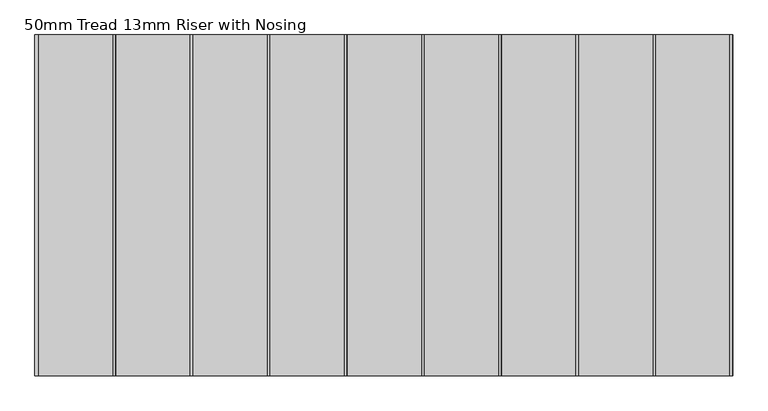
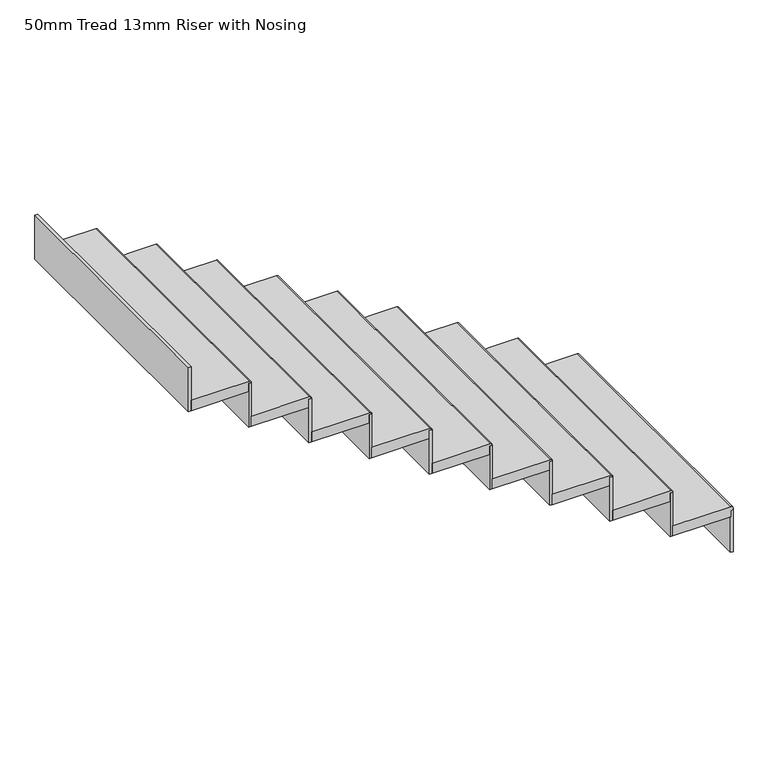
"""IFC4 building model written with IfcOpenShell, lengths in millimetres: stair flight geometry, 50mm Tread 13mm Riser with Nosing."""

import ifcopenshell
import ifcopenshell.guid

model = None  # the IFC model being written
_history = None  # IfcOwnerHistory: only IFC2X3 demands one
_inside = {}  # id of a spatial element -> (the spatial element, [elements in it])
_under = {}  # id of a project, library or spatial element -> (it, [spatial elements below it])
_declared = {}  # id of a project -> (the project, [libraries it declares])
_typed = {}  # id of a type object -> (the type object, [elements of that type])
_made_of = {}  # id of a material, layer set ... -> (it, [elements and type objects made of it])


def new_model(schema):
    """Start an empty IFC model of exactly this schema.

    Asked for "IFC4X3", IfcOpenShell would pick the latest addendum, in which some entities
    have other attributes; the version numbers below select the first issue.
    IFC2X3 requires an IfcOwnerHistory on every rooted entity: one is made here for all.
    """
    global model, _history
    if schema == "IFC4X3":
        model = ifcopenshell.file(schema_version=(4, 3, 0, 0))
    else:
        model = ifcopenshell.file(schema=schema)
    _inside.clear()
    _under.clear()
    _declared.clear()
    _typed.clear()
    _made_of.clear()
    _history = None
    if model.schema == "IFC2X3":
        org = make("IfcOrganization", Name="unknown")
        user = make(
            "IfcPersonAndOrganization",
            ThePerson=make("IfcPerson", FamilyName="unknown"),
            TheOrganization=org,
        )
        app = make(
            "IfcApplication",
            ApplicationDeveloper=org,
            Version="unknown",
            ApplicationFullName="unknown",
            ApplicationIdentifier="unknown",
        )
        _history = make(
            "IfcOwnerHistory",
            OwningUser=user,
            OwningApplication=app,
            ChangeAction="ADDED",
            CreationDate=0,
        )
    return model


def make(cls, **values):
    """One entity of the class cls with the attributes given. An attribute that is None is left unset."""
    return model.create_entity(
        cls, **{name: value for name, value in values.items() if value is not None}
    )


def rooted(cls, **values):
    """An entity with a GlobalId (a new one), such as an element, a storey or a relation."""
    return make(cls, GlobalId=ifcopenshell.guid.new(), OwnerHistory=_history, **values)


def si_unit(unit_type, name, prefix=None):
    """IfcSIUnit, for example si_unit("LENGTHUNIT", "METRE", prefix="MILLI")."""
    return make("IfcSIUnit", UnitType=unit_type, Prefix=prefix, Name=name)


def assignment(units):
    """IfcUnitAssignment: the units of a project."""
    return None if units is None else make("IfcUnitAssignment", Units=units)


def point(xyz):
    """IfcCartesianPoint."""
    return None if xyz is None else make("IfcCartesianPoint", Coordinates=xyz)


def direction(xyz):
    """IfcDirection."""
    return None if xyz is None else make("IfcDirection", DirectionRatios=xyz)


def frame(location, z_axis=None, x_axis=None):
    """IfcAxis2Placement3D, a coordinate frame: its origin and axes. An axis left out is left unset."""
    return make(
        "IfcAxis2Placement3D",
        Location=point(location),
        Axis=direction(z_axis),
        RefDirection=direction(x_axis),
    )


def frame_2d(location, x_axis=None):
    """IfcAxis2Placement2D, a coordinate frame in the plane: its origin and x axis."""
    return make(
        "IfcAxis2Placement2D", Location=point(location), RefDirection=direction(x_axis)
    )


def origin():
    """The frame at (0, 0, 0) with its axes left unset."""
    return frame((0.0, 0.0, 0.0))


def place(relative_to, where):
    """IfcLocalPlacement: puts the frame where relative to a parent placement (None: the world)."""
    return make(
        "IfcLocalPlacement", PlacementRelTo=relative_to, RelativePlacement=where
    )


def context(
    kind, dimensions, precision=None, world=None, true_north=None, identifier=None
):
    """IfcGeometricRepresentationContext, for example the 3D "Model" context."""
    return make(
        "IfcGeometricRepresentationContext",
        ContextIdentifier=identifier,
        ContextType=kind,
        CoordinateSpaceDimension=dimensions,
        Precision=precision,
        WorldCoordinateSystem=world,
        TrueNorth=true_north,
    )


def project(units=None, contexts=None):
    """IfcProject with its units and contexts."""
    return rooted(
        "IfcProject",
        Name="project",
        RepresentationContexts=contexts,
        UnitsInContext=assignment(units),
    )


def spatial(cls, under=None, at=None, **own):
    """A site, building, storey or space (cls), placed at a placement, below another one or the project."""
    s = rooted(cls, ObjectPlacement=at, **own)
    if under is not None:
        _under.setdefault(under.id(), (under, []))[1].append(s)
    return s


def polyline(points):
    """IfcPolyline through the points."""
    return make("IfcPolyline", Points=[point(p) for p in points])


def circle_curve(where, radius):
    """IfcCircle in the frame where."""
    return make("IfcCircle", Position=where, Radius=radius)


def trimmed(basis, trim1, trim2, sense, master):
    """IfcTrimmedCurve: the piece of a basis curve between two trims."""
    return make(
        "IfcTrimmedCurve",
        BasisCurve=basis,
        Trim1=trim1,
        Trim2=trim2,
        SenseAgreement=sense,
        MasterRepresentation=master,
    )


def segment(curve, same_sense, transition):
    """IfcCompositeCurveSegment."""
    return make(
        "IfcCompositeCurveSegment",
        Transition=transition,
        SameSense=same_sense,
        ParentCurve=curve,
    )


def composite_curve(segments, self_intersect=None):
    """IfcCompositeCurve: segments joined end to end."""
    return make("IfcCompositeCurve", Segments=segments, SelfIntersect=self_intersect)


def outline(outer, holes=None, kind="AREA"):
    """IfcArbitraryClosedProfileDef: a profile drawn as a closed curve; with holes, ...WithVoids."""
    if holes is None:
        return make("IfcArbitraryClosedProfileDef", ProfileType=kind, OuterCurve=outer)
    return make(
        "IfcArbitraryProfileDefWithVoids",
        ProfileType=kind,
        OuterCurve=outer,
        InnerCurves=holes,
    )


def extrude(swept, where, along, depth):
    """IfcExtrudedAreaSolid: the profile swept, set in the frame where, extruded along a direction by depth."""
    return make(
        "IfcExtrudedAreaSolid",
        SweptArea=swept,
        Position=where,
        ExtrudedDirection=direction(along),
        Depth=depth,
    )


def shape(context_of_items, identifier, shape_type, items):
    """IfcShapeRepresentation: the items that make up one representation, for example the "Body"."""
    return make(
        "IfcShapeRepresentation",
        ContextOfItems=context_of_items,
        RepresentationIdentifier=identifier,
        RepresentationType=shape_type,
        Items=items,
    )


def source(mapping_origin, context_of_items, identifier, shape_type, items):
    """IfcRepresentationMap: a shape defined once, which mapped items show again and again."""
    return make(
        "IfcRepresentationMap",
        MappingOrigin=mapping_origin,
        MappedRepresentation=shape(context_of_items, identifier, shape_type, items),
    )


def transform(
    local_origin,
    x_axis=None,
    y_axis=None,
    z_axis=None,
    scale=None,
    scale2=None,
    scale3=None,
    uniform=True,
):
    """IfcCartesianTransformationOperator3D, or its non-uniform kind. x_axis, y_axis, z_axis: its Axis1, 2, 3."""
    if uniform:
        return make(
            "IfcCartesianTransformationOperator3D",
            Axis1=direction(x_axis),
            Axis2=direction(y_axis),
            LocalOrigin=point(local_origin),
            Scale=scale,
            Axis3=direction(z_axis),
        )
    return make(
        "IfcCartesianTransformationOperator3DnonUniform",
        Axis1=direction(x_axis),
        Axis2=direction(y_axis),
        LocalOrigin=point(local_origin),
        Scale=scale,
        Axis3=direction(z_axis),
        Scale2=scale2,
        Scale3=scale3,
    )


def mapped(mapping_source, mapping_target):
    """IfcMappedItem: shows the shape of a source again, moved by a transform."""
    return make(
        "IfcMappedItem", MappingSource=mapping_source, MappingTarget=mapping_target
    )


def made_of(thing, what):
    """Note that an element or type object is made of a material, layer set ...; save() writes the relation."""
    if what is not None:
        _made_of.setdefault(what.id(), (what, []))[1].append(thing)
    return thing


def element(
    cls,
    number,
    at=None,
    inside=None,
    cuts=None,
    type_object=None,
    material=None,
    context=None,
    identifier="Body",
    shape_type=None,
    held_by="IfcProductDefinitionShape",
    body=None,
    shapes=None,
    **own,
):
    """One element of the class cls, such as IfcWall. Its Tag is "e" and its number.

    at: its placement. inside: the storey or other place that contains it. cuts: it is an
    opening in that element (IfcRelVoidsElement). A single representation is given by context,
    identifier, shape_type and body (its items); several are given by shapes. held_by: the class
    of the entity that holds the representations. save() writes the other relations.
    """
    e = rooted(cls, Tag="e%d" % number, ObjectPlacement=at, **own)
    if body is not None:
        shapes = [shape(context, identifier, shape_type, body)]
    if shapes is not None:
        e.Representation = make(held_by, Representations=shapes)
    if inside is not None:
        _inside.setdefault(inside.id(), (inside, []))[1].append(e)
    if cuts is not None:
        rooted(
            "IfcRelVoidsElement", RelatingBuildingElement=cuts, RelatedOpeningElement=e
        )
    if type_object is not None:
        _typed.setdefault(type_object.id(), (type_object, []))[1].append(e)
    return made_of(e, material)


def aggregate(whole, parts):
    """IfcRelAggregates: a whole, such as a stair, and the parts it consists of."""
    return rooted("IfcRelAggregates", RelatingObject=whole, RelatedObjects=parts)


def save(model, path):
    """Write the relations noted so far, then the file.

    IfcRelAggregates (storeys below a building ...), IfcRelContainedInSpatialStructure (elements
    in a storey), IfcRelDefinesByType, IfcRelAssociatesMaterial and IfcRelDeclares: one each for
    every whole, place, type object, material and project.
    """
    for whole, parts in _under.values():
        aggregate(whole, parts)
    for where, things in _inside.values():
        rooted(
            "IfcRelContainedInSpatialStructure",
            RelatedElements=things,
            RelatingStructure=where,
        )
    for kind, things in _typed.values():
        rooted("IfcRelDefinesByType", RelatedObjects=things, RelatingType=kind)
    for what, things in _made_of.values():
        rooted("IfcRelAssociatesMaterial", RelatedObjects=things, RelatingMaterial=what)
    for by, libraries in _declared.values():
        rooted("IfcRelDeclares", RelatingContext=by, RelatedDefinitions=libraries)
    model.write(path)


def stair_flight_50mm_tread_13mm_riser_with_nosing_04a9c64a(model_context):
    return source(origin(), model_context, "Body", "SweptSolid", [
        extrude(outline(composite_curve([segment(polyline([(8925.0, -21230.801725), (8925.0, -21500.801725), (8875.0, -21500.801725), (8875.0, -21230.801725), (8905.0, -21230.801725)]), True, "CONTINUOUS"), segment(trimmed(circle_curve(frame_2d((8915.0, -21230.801725)), 10.0), [point((8905.0, -21230.801725))], [point((8925.0, -21230.801725))], False, "CARTESIAN"), True, "CONTINUOUS")], self_intersect=False)), frame((0.0, 14401.3039623, 0.0), z_axis=(0.0, 1.0, 0.0), x_axis=(0.0, 0.0, 1.0)), (0.0, 0.0, 1.0), 1236.7029242),
        extrude(outline(polyline([(-21233.301725, 15638.0068866), (-21220.801725, 15638.0068866), (-21220.801725, 14401.3039623), (-21233.301725, 14401.3039623), (-21233.301725, 15638.0068866)])), frame((0.0, 0.0, 8700.0), z_axis=(0.0, 0.0, 1.0), x_axis=(1.0, 0.0, 0.0)), (0.0, 0.0, 1.0), 215.0),
        extrude(outline(polyline([(-21513.301725, 15638.0068866), (-21500.801725, 15638.0068866), (-21500.801725, 14401.3039623), (-21513.301725, 14401.3039623), (-21513.301725, 15638.0068866)])), frame((0.0, 0.0, 8875.0), z_axis=(0.0, 0.0, 1.0), x_axis=(1.0, 0.0, 0.0)), (0.0, 0.0, 1.0), 215.0),
        extrude(outline(composite_curve([segment(polyline([(9100.0, -21510.801725), (9100.0, -21780.801725), (9050.0, -21780.801725), (9050.0, -21510.801725), (9080.0, -21510.801725)]), True, "CONTINUOUS"), segment(trimmed(circle_curve(frame_2d((9090.0, -21510.801725)), 10.0), [point((9080.0, -21510.801725))], [point((9100.0, -21510.801725))], False, "CARTESIAN"), True, "CONTINUOUS")], self_intersect=False)), frame((0.0, 14401.3039623, 0.0), z_axis=(0.0, 1.0, 0.0), x_axis=(0.0, 0.0, 1.0)), (0.0, 0.0, 1.0), 1236.7029242),
        extrude(outline(polyline([(-21793.301725, 15638.0068866), (-21780.801725, 15638.0068866), (-21780.801725, 14401.3039623), (-21793.301725, 14401.3039623), (-21793.301725, 15638.0068866)])), frame((0.0, 0.0, 9050.0), z_axis=(0.0, 0.0, 1.0), x_axis=(1.0, 0.0, 0.0)), (0.0, 0.0, 1.0), 215.0),
        extrude(outline(composite_curve([segment(polyline([(9275.0, -21790.801725), (9275.0, -22060.801725), (9225.0, -22060.801725), (9225.0, -21790.801725), (9255.0, -21790.801725)]), True, "CONTINUOUS"), segment(trimmed(circle_curve(frame_2d((9265.0, -21790.801725)), 10.0), [point((9255.0, -21790.801725))], [point((9275.0, -21790.801725))], False, "CARTESIAN"), True, "CONTINUOUS")], self_intersect=False)), frame((0.0, 14401.3039623, 0.0), z_axis=(0.0, 1.0, 0.0), x_axis=(0.0, 0.0, 1.0)), (0.0, 0.0, 1.0), 1236.7029242),
        extrude(outline(polyline([(-22073.301725, 15638.0068866), (-22060.801725, 15638.0068866), (-22060.801725, 14401.3039623), (-22073.301725, 14401.3039623), (-22073.301725, 15638.0068866)])), frame((0.0, 0.0, 9225.0), z_axis=(0.0, 0.0, 1.0), x_axis=(1.0, 0.0, 0.0)), (0.0, 0.0, 1.0), 215.0),
        extrude(outline(composite_curve([segment(polyline([(9450.0, -22070.801725), (9450.0, -22340.801725), (9400.0, -22340.801725), (9400.0, -22070.801725), (9430.0, -22070.801725)]), True, "CONTINUOUS"), segment(trimmed(circle_curve(frame_2d((9440.0, -22070.801725)), 10.0), [point((9430.0, -22070.801725))], [point((9450.0, -22070.801725))], False, "CARTESIAN"), True, "CONTINUOUS")], self_intersect=False)), frame((0.0, 14401.3039623, 0.0), z_axis=(0.0, 1.0, 0.0), x_axis=(0.0, 0.0, 1.0)), (0.0, 0.0, 1.0), 1236.7029242),
        extrude(outline(polyline([(-22353.301725, 15638.0068866), (-22340.801725, 15638.0068866), (-22340.801725, 14401.3039623), (-22353.301725, 14401.3039623), (-22353.301725, 15638.0068866)])), frame((0.0, 0.0, 9400.0), z_axis=(0.0, 0.0, 1.0), x_axis=(1.0, 0.0, 0.0)), (0.0, 0.0, 1.0), 215.0),
        extrude(outline(composite_curve([segment(polyline([(9625.0, -22350.801725), (9625.0, -22620.801725), (9575.0, -22620.801725), (9575.0, -22350.801725), (9605.0, -22350.801725)]), True, "CONTINUOUS"), segment(trimmed(circle_curve(frame_2d((9615.0, -22350.801725)), 10.0), [point((9605.0, -22350.801725))], [point((9625.0, -22350.801725))], False, "CARTESIAN"), True, "CONTINUOUS")], self_intersect=False)), frame((0.0, 14401.3039623, 0.0), z_axis=(0.0, 1.0, 0.0), x_axis=(0.0, 0.0, 1.0)), (0.0, 0.0, 1.0), 1236.7029242),
        extrude(outline(polyline([(-22633.301725, 15638.0068866), (-22620.801725, 15638.0068866), (-22620.801725, 14401.3039623), (-22633.301725, 14401.3039623), (-22633.301725, 15638.0068866)])), frame((0.0, 0.0, 9575.0), z_axis=(0.0, 0.0, 1.0), x_axis=(1.0, 0.0, 0.0)), (0.0, 0.0, 1.0), 215.0),
        extrude(outline(composite_curve([segment(polyline([(9800.0, -22630.801725), (9800.0, -22900.801725), (9750.0, -22900.801725), (9750.0, -22630.801725), (9780.0, -22630.801725)]), True, "CONTINUOUS"), segment(trimmed(circle_curve(frame_2d((9790.0, -22630.801725)), 10.0), [point((9780.0, -22630.801725))], [point((9800.0, -22630.801725))], False, "CARTESIAN"), True, "CONTINUOUS")], self_intersect=False)), frame((0.0, 14401.3039623, 0.0), z_axis=(0.0, 1.0, 0.0), x_axis=(0.0, 0.0, 1.0)), (0.0, 0.0, 1.0), 1236.7029242),
        extrude(outline(polyline([(-22913.301725, 15638.0068866), (-22900.801725, 15638.0068866), (-22900.801725, 14401.3039623), (-22913.301725, 14401.3039623), (-22913.301725, 15638.0068866)])), frame((0.0, 0.0, 9750.0), z_axis=(0.0, 0.0, 1.0), x_axis=(1.0, 0.0, 0.0)), (0.0, 0.0, 1.0), 215.0),
        extrude(outline(composite_curve([segment(polyline([(9975.0, -22910.801725), (9975.0, -23180.801725), (9925.0, -23180.801725), (9925.0, -22910.801725), (9955.0, -22910.801725)]), True, "CONTINUOUS"), segment(trimmed(circle_curve(frame_2d((9965.0, -22910.801725)), 10.0), [point((9955.0, -22910.801725))], [point((9975.0, -22910.801725))], False, "CARTESIAN"), True, "CONTINUOUS")], self_intersect=False)), frame((0.0, 14401.3039623, 0.0), z_axis=(0.0, 1.0, 0.0), x_axis=(0.0, 0.0, 1.0)), (0.0, 0.0, 1.0), 1236.7029242),
        extrude(outline(polyline([(-23193.301725, 15638.0068866), (-23180.801725, 15638.0068866), (-23180.801725, 14401.3039623), (-23193.301725, 14401.3039623), (-23193.301725, 15638.0068866)])), frame((0.0, 0.0, 9925.0), z_axis=(0.0, 0.0, 1.0), x_axis=(1.0, 0.0, 0.0)), (0.0, 0.0, 1.0), 215.0),
        extrude(outline(composite_curve([segment(polyline([(10150.0, -23190.801725), (10150.0, -23460.801725), (10100.0, -23460.801725), (10100.0, -23190.801725), (10130.0, -23190.801725)]), True, "CONTINUOUS"), segment(trimmed(circle_curve(frame_2d((10140.0, -23190.801725)), 10.0), [point((10130.0, -23190.801725))], [point((10150.0, -23190.801725))], False, "CARTESIAN"), True, "CONTINUOUS")], self_intersect=False)), frame((0.0, 14401.3039623, 0.0), z_axis=(0.0, 1.0, 0.0), x_axis=(0.0, 0.0, 1.0)), (0.0, 0.0, 1.0), 1236.7029242),
        extrude(outline(polyline([(-23473.301725, 15638.0068866), (-23460.801725, 15638.0068866), (-23460.801725, 14401.3039623), (-23473.301725, 14401.3039623), (-23473.301725, 15638.0068866)])), frame((0.0, 0.0, 10100.0), z_axis=(0.0, 0.0, 1.0), x_axis=(1.0, 0.0, 0.0)), (0.0, 0.0, 1.0), 215.0),
        extrude(outline(polyline([(-23753.301725, 15638.0068866), (-23740.801725, 15638.0068866), (-23740.801725, 14401.3039623), (-23753.301725, 14401.3039623), (-23753.301725, 15638.0068866)])), frame((0.0, 0.0, 10275.0), z_axis=(0.0, 0.0, 1.0), x_axis=(1.0, 0.0, 0.0)), (0.0, 0.0, 1.0), 215.0),
        extrude(outline(composite_curve([segment(polyline([(10325.0, -23470.801725), (10325.0, -23740.801725), (10275.0, -23740.801725), (10275.0, -23470.801725), (10305.0, -23470.801725)]), True, "CONTINUOUS"), segment(trimmed(circle_curve(frame_2d((10315.0, -23470.801725)), 10.0), [point((10305.0, -23470.801725))], [point((10325.0, -23470.801725))], False, "CARTESIAN"), True, "CONTINUOUS")], self_intersect=False)), frame((0.0, 14401.3039623, 0.0), z_axis=(0.0, 1.0, 0.0), x_axis=(0.0, 0.0, 1.0)), (0.0, 0.0, 1.0), 1236.7029242),
    ])


if __name__ == "__main__":
    model = new_model("IFC4")
    model_context = context("Model", 3, world=origin())
    ifc_project = project(units=[si_unit("LENGTHUNIT", "METRE", prefix="MILLI")], contexts=[model_context])
    site = spatial("IfcSite", under=ifc_project)
    building = spatial("IfcBuilding", under=site)
    placement = place(None, origin())
    stair_flight_50mm_tread_13mm_riser_with_nosing_shape = stair_flight_50mm_tread_13mm_riser_with_nosing_04a9c64a(model_context)
    element("IfcStairFlight", 1, ObjectType="50mm Tread 13mm Riser with Nosing", at=placement, inside=building, context=model_context, shape_type="MappedRepresentation", body=[
        mapped(stair_flight_50mm_tread_13mm_riser_with_nosing_shape, transform((0.0, 0.0, 0.0), x_axis=(1.0, 0.0, 0.0), y_axis=(0.0, 1.0, 0.0), z_axis=(0.0, 0.0, 1.0))),
    ])
    save(model, "model.ifc")
